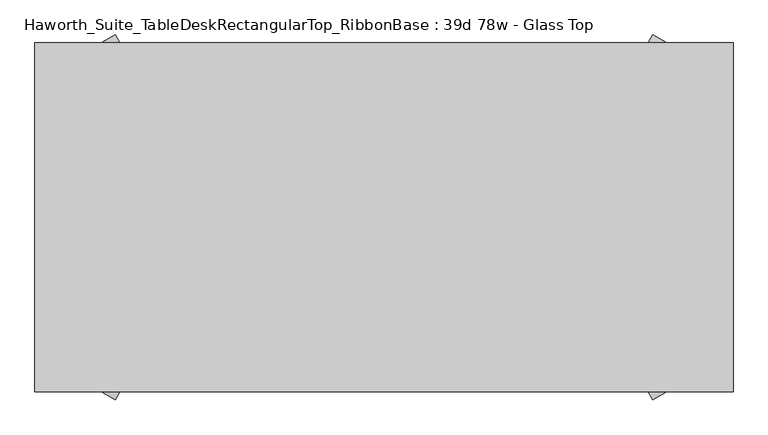
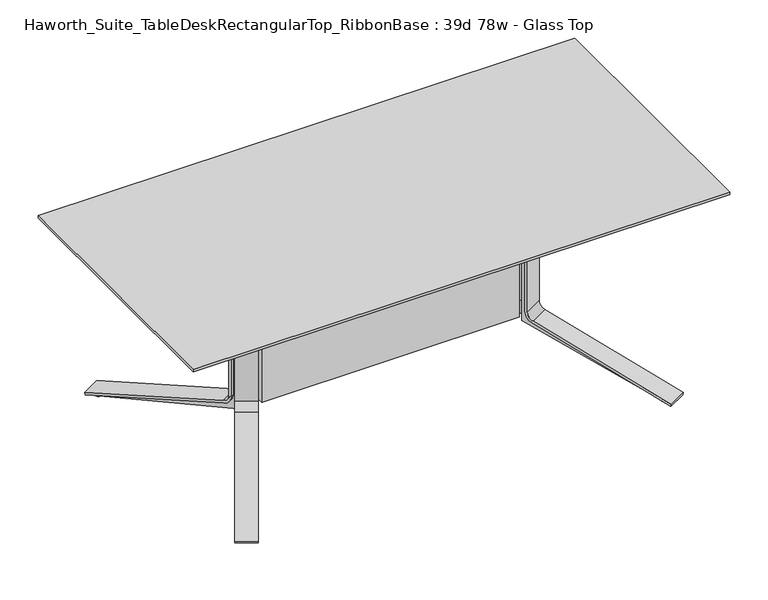
"""IFC4 building model written with IfcOpenShell, lengths in millimetres: furniture geometry, Haworth_Suite_TableDeskRectangularTop_RibbonBase : 39d 78w - Glass Top."""

from ifc_helpers import new_model, si_unit, point, frame, frame_2d, origin, place, context, project, spatial, polyline, circle_curve, trimmed, segment, composite_curve, outline, extrude, source, transform, mapped, element, save


def haworth_suite_tabledeskrectangulartop_ribbonbase_39d_78w_b5aa9cb7(model_context):
    return source(origin(), model_context, "Body", "SweptSolid", [
        extrude(outline(composite_curve([segment(polyline([(-269.3436323, 0.0), (0.0, 0.0), (112.9884974, -503.8783626), (-364.1289313, -745.3027257), (-363.1013704, -749.8851897), (-391.6775969, -756.2930555), (-393.0670035, -750.0969211), (63.4019807, -500.5507407)]), True, "CONTINUOUS"), segment(trimmed(circle_curve(frame_2d((45.1259393, -467.1202708)), 38.1), [point((63.4019807, -500.5507407))], [point((82.3027309, -458.7838346))], True, "CARTESIAN"), True, "CONTINUOUS"), segment(polyline([(82.3027309, -458.7838346), (-9.2618925, -50.446406)]), True, "CONTINUOUS"), segment(trimmed(circle_curve(frame_2d((-46.438684, -58.7828422)), 38.1), [point((-9.2618925, -50.446406))], [point((-44.1875449, -20.7494046))], True, "CARTESIAN"), True, "CONTINUOUS"), segment(polyline([(-44.1875449, -20.7494046), (-295.5330753, -5.872659), (-269.3436323, 0.0)]), True, "CONTINUOUS")], self_intersect=False)), frame((522.9648531, -507.7080688, 652.2665091), z_axis=(-0.8660254037844421, 0.499999999999994, 0.0), x_axis=(-0.48788440383841064, -0.8450405756685929, -0.21880409951582672)), (0.0, 0.0, 1.0), 47.625),
        extrude(outline(composite_curve([segment(trimmed(circle_curve(frame_2d((0.0, 28.575)), 28.575), [point((27.4680529, 36.4513374))], [point((0.0, 57.15))], True, "CARTESIAN"), True, "CONTINUOUS"), segment(polyline([(0.0, 57.15), (-418.7285036, 57.15)]), True, "CONTINUOUS"), segment(trimmed(circle_curve(frame_2d((-418.7285036, 28.575)), 28.575), [point((-418.7285036, 57.15))], [point((-446.1965565, 36.4513374))], True, "CARTESIAN"), True, "CONTINUOUS"), segment(polyline([(-446.1965565, 36.4513374), (-513.8596652, -199.517965)]), True, "CONTINUOUS"), segment(trimmed(circle_curve(frame_2d((-477.2355946, -210.0197483)), 38.1), [point((-513.8596652, -199.517965))], [point((-515.3355946, -210.0197483))], True, "CARTESIAN"), True, "CONTINUOUS"), segment(polyline([(-515.3355946, -210.0197483), (-515.3355946, -303.1768115), (-524.8605946, -303.1768115), (-524.8605946, -208.2699421)]), True, "CONTINUOUS"), segment(trimmed(circle_curve(frame_2d((-486.7605946, -208.2699421)), 38.1), [point((-524.8605946, -208.2699421))], [point((-523.3798781, -197.7514786))], False, "CARTESIAN"), True, "CONTINUOUS"), segment(polyline([(-523.3798781, -197.7514786), (-455.3489221, 39.0934635)]), True, "CONTINUOUS"), segment(trimmed(circle_curve(frame_2d((-418.7296385, 28.575)), 38.1), [point((-455.3489221, 39.0934635))], [point((-418.7296385, 66.675))], False, "CARTESIAN"), True, "CONTINUOUS"), segment(polyline([(-418.7296385, 66.675), (-0.2519977, 66.675)]), True, "CONTINUOUS"), segment(trimmed(circle_curve(frame_2d((-0.2519977, 28.575)), 38.1), [point((-0.2519977, 66.675))], [point((36.3672848, 39.0934673))], False, "CARTESIAN"), True, "CONTINUOUS"), segment(polyline([(36.3672848, 39.0934673), (183.1655841, -471.9741854), (174.0095606, -474.5996329), (27.4680529, 36.4513374)]), True, "CONTINUOUS")], self_intersect=False)), frame((578.7133642, -439.7238152, 186.3393812), z_axis=(-0.866025403784442, 0.49999999999999406, 0.0), x_axis=(0.0, 0.0, -1.0)), (0.0, 0.0, 1.0), 76.2),
        extrude(outline(composite_curve([segment(polyline([(269.3436323, 0.0), (0.0, 0.0), (-112.9884974, 503.8783626), (364.1289313, 745.3027257), (363.1013703, 749.8851897), (391.6775968, 756.2930555), (393.0670034, 750.0969211), (-63.4019808, 500.5507407)]), True, "CONTINUOUS"), segment(trimmed(circle_curve(frame_2d((-45.1259393, 467.1202708)), 38.1), [point((-63.4019808, 500.5507407))], [point((-82.3027309, 458.7838346))], True, "CARTESIAN"), True, "CONTINUOUS"), segment(polyline([(-82.3027309, 458.7838346), (9.2618925, 50.446406)]), True, "CONTINUOUS"), segment(trimmed(circle_curve(frame_2d((46.438684, 58.7828422)), 38.1), [point((9.2618925, 50.446406))], [point((44.1875448, 20.7494046))], True, "CARTESIAN"), True, "CONTINUOUS"), segment(polyline([(44.1875448, 20.7494046), (295.5330753, 5.872659), (269.3436323, 0.0)]), True, "CONTINUOUS")], self_intersect=False)), frame((481.7203933, -532.1044312, 652.2665091), z_axis=(0.8660254037844388, 0.49999999999999967, 0.0), x_axis=(0.48788440383841614, -0.8450405756685897, 0.21880409951582672)), (0.0, 0.0, 1.0), 47.625),
        extrude(outline(composite_curve([segment(trimmed(circle_curve(frame_2d((0.0, -28.575)), 28.575), [point((-27.4680529, -36.4513374))], [point((0.0, -57.15))], True, "CARTESIAN"), True, "CONTINUOUS"), segment(polyline([(0.0, -57.15), (418.7285036, -57.15)]), True, "CONTINUOUS"), segment(trimmed(circle_curve(frame_2d((418.7285036, -28.575)), 28.575), [point((418.7285036, -57.15))], [point((446.1965565, -36.4513374))], True, "CARTESIAN"), True, "CONTINUOUS"), segment(polyline([(446.1965565, -36.4513374), (513.8596652, 199.517965)]), True, "CONTINUOUS"), segment(trimmed(circle_curve(frame_2d((477.2355946, 210.0197483)), 38.1), [point((513.8596652, 199.517965))], [point((515.3355946, 210.0197483))], True, "CARTESIAN"), True, "CONTINUOUS"), segment(polyline([(515.3355946, 210.0197483), (515.3355946, 303.1768115), (524.8605946, 303.1768115), (524.8605946, 208.2699421)]), True, "CONTINUOUS"), segment(trimmed(circle_curve(frame_2d((486.7605946, 208.2699421)), 38.1), [point((524.8605946, 208.2699421))], [point((523.3798781, 197.7514786))], False, "CARTESIAN"), True, "CONTINUOUS"), segment(polyline([(523.3798781, 197.7514786), (455.3489221, -39.0934635)]), True, "CONTINUOUS"), segment(trimmed(circle_curve(frame_2d((418.7296385, -28.575)), 38.1), [point((455.3489221, -39.0934635))], [point((418.7296385, -66.675))], False, "CARTESIAN"), True, "CONTINUOUS"), segment(polyline([(418.7296385, -66.675), (0.2519977, -66.675)]), True, "CONTINUOUS"), segment(trimmed(circle_curve(frame_2d((0.2519977, -28.575)), 38.1), [point((0.2519977, -66.675))], [point((-36.3672848, -39.0934673))], False, "CARTESIAN"), True, "CONTINUOUS"), segment(polyline([(-36.3672848, -39.0934673), (-183.1655841, 471.9741854), (-174.0095606, 474.5996329), (-27.4680529, -36.4513374)]), True, "CONTINUOUS")], self_intersect=False)), frame((512.7222284, -614.3761848, 186.3393812), z_axis=(0.8660254037844388, 0.49999999999999967, 0.0), x_axis=(0.0, 0.0, 1.0)), (0.0, 0.0, 1.0), 76.2),
        extrude(outline(composite_curve([segment(polyline([(-269.3436323, 0.0), (-295.5330753, 5.872659), (-44.1875449, 20.7494046)]), True, "CONTINUOUS"), segment(trimmed(circle_curve(frame_2d((-46.438684, 58.7828422)), 38.1), [point((-44.1875449, 20.7494046))], [point((-9.2618925, 50.446406))], True, "CARTESIAN"), True, "CONTINUOUS"), segment(polyline([(-9.2618925, 50.446406), (82.3027309, 458.7838346)]), True, "CONTINUOUS"), segment(trimmed(circle_curve(frame_2d((45.1259393, 467.1202708)), 38.1), [point((82.3027309, 458.7838346))], [point((63.4019807, 500.5507407))], True, "CARTESIAN"), True, "CONTINUOUS"), segment(polyline([(63.4019807, 500.5507407), (-393.0670035, 750.0969211), (-391.6775969, 756.2930555), (-363.1013704, 749.8851897), (-364.1289313, 745.3027257), (112.9884974, 503.8783626), (0.0, 0.0), (-269.3436323, 0.0)]), True, "CONTINUOUS")], self_intersect=False)), frame((-548.3648531, -507.7080688, 652.2665091), z_axis=(0.8660254037844421, 0.499999999999994, 0.0), x_axis=(0.48788440383841064, -0.8450405756685929, -0.21880409951582672)), (0.0, 0.0, 1.0), 47.625),
        extrude(outline(composite_curve([segment(polyline([(27.4680529, -36.4513374), (174.0095606, 474.5996329), (183.1655841, 471.9741854), (36.3672848, -39.0934673)]), True, "CONTINUOUS"), segment(trimmed(circle_curve(frame_2d((-0.2519977, -28.575)), 38.1), [point((36.3672848, -39.0934673))], [point((-0.2519977, -66.675))], False, "CARTESIAN"), True, "CONTINUOUS"), segment(polyline([(-0.2519977, -66.675), (-418.7296385, -66.675)]), True, "CONTINUOUS"), segment(trimmed(circle_curve(frame_2d((-418.7296385, -28.575)), 38.1), [point((-418.7296385, -66.675))], [point((-455.3489221, -39.0934635))], False, "CARTESIAN"), True, "CONTINUOUS"), segment(polyline([(-455.3489221, -39.0934635), (-523.3798781, 197.7514786)]), True, "CONTINUOUS"), segment(trimmed(circle_curve(frame_2d((-486.7605946, 208.2699421)), 38.1), [point((-523.3798781, 197.7514786))], [point((-524.8605946, 208.2699421))], False, "CARTESIAN"), True, "CONTINUOUS"), segment(polyline([(-524.8605946, 208.2699421), (-524.8605946, 303.1768115), (-515.3355946, 303.1768115), (-515.3355946, 210.0197483)]), True, "CONTINUOUS"), segment(trimmed(circle_curve(frame_2d((-477.2355946, 210.0197483)), 38.1), [point((-515.3355946, 210.0197483))], [point((-513.8596652, 199.517965))], True, "CARTESIAN"), True, "CONTINUOUS"), segment(polyline([(-513.8596652, 199.517965), (-446.1965565, -36.4513374)]), True, "CONTINUOUS"), segment(trimmed(circle_curve(frame_2d((-418.7285036, -28.575)), 28.575), [point((-446.1965565, -36.4513374))], [point((-418.7285036, -57.15))], True, "CARTESIAN"), True, "CONTINUOUS"), segment(polyline([(-418.7285036, -57.15), (0.0, -57.15)]), True, "CONTINUOUS"), segment(trimmed(circle_curve(frame_2d((0.0, -28.575)), 28.575), [point((0.0, -57.15))], [point((27.4680529, -36.4513374))], True, "CARTESIAN"), True, "CONTINUOUS")], self_intersect=False)), frame((-604.1133642, -439.7238152, 186.3393812), z_axis=(0.866025403784442, 0.49999999999999406, 0.0), x_axis=(0.0, 0.0, -1.0)), (0.0, 0.0, 1.0), 76.2),
        extrude(outline(composite_curve([segment(polyline([(269.3436323, 0.0), (295.5330753, -5.872659), (44.1875448, -20.7494046)]), True, "CONTINUOUS"), segment(trimmed(circle_curve(frame_2d((46.438684, -58.7828422)), 38.1), [point((44.1875448, -20.7494046))], [point((9.2618925, -50.446406))], True, "CARTESIAN"), True, "CONTINUOUS"), segment(polyline([(9.2618925, -50.446406), (-82.3027309, -458.7838346)]), True, "CONTINUOUS"), segment(trimmed(circle_curve(frame_2d((-45.1259393, -467.1202708)), 38.1), [point((-82.3027309, -458.7838346))], [point((-63.4019808, -500.5507407))], True, "CARTESIAN"), True, "CONTINUOUS"), segment(polyline([(-63.4019808, -500.5507407), (393.0670034, -750.0969211), (391.6775968, -756.2930555), (363.1013703, -749.8851897), (364.1289313, -745.3027257), (-112.9884974, -503.8783626), (0.0, 0.0), (269.3436323, 0.0)]), True, "CONTINUOUS")], self_intersect=False)), frame((-507.1203933, -532.1044312, 652.2665091), z_axis=(-0.8660254037844388, 0.49999999999999967, 0.0), x_axis=(-0.48788440383841614, -0.8450405756685897, 0.21880409951582672)), (0.0, 0.0, 1.0), 47.625),
        extrude(outline(composite_curve([segment(polyline([(-27.4680529, 36.4513374), (-174.0095606, -474.5996329), (-183.1655841, -471.9741854), (-36.3672848, 39.0934673)]), True, "CONTINUOUS"), segment(trimmed(circle_curve(frame_2d((0.2519977, 28.575)), 38.1), [point((-36.3672848, 39.0934673))], [point((0.2519977, 66.675))], False, "CARTESIAN"), True, "CONTINUOUS"), segment(polyline([(0.2519977, 66.675), (418.7296385, 66.675)]), True, "CONTINUOUS"), segment(trimmed(circle_curve(frame_2d((418.7296385, 28.575)), 38.1), [point((418.7296385, 66.675))], [point((455.3489221, 39.0934635))], False, "CARTESIAN"), True, "CONTINUOUS"), segment(polyline([(455.3489221, 39.0934635), (523.3798781, -197.7514786)]), True, "CONTINUOUS"), segment(trimmed(circle_curve(frame_2d((486.7605946, -208.2699421)), 38.1), [point((523.3798781, -197.7514786))], [point((524.8605946, -208.2699421))], False, "CARTESIAN"), True, "CONTINUOUS"), segment(polyline([(524.8605946, -208.2699421), (524.8605946, -303.1768115), (515.3355946, -303.1768115), (515.3355946, -210.0197483)]), True, "CONTINUOUS"), segment(trimmed(circle_curve(frame_2d((477.2355946, -210.0197483)), 38.1), [point((515.3355946, -210.0197483))], [point((513.8596652, -199.517965))], True, "CARTESIAN"), True, "CONTINUOUS"), segment(polyline([(513.8596652, -199.517965), (446.1965565, 36.4513374)]), True, "CONTINUOUS"), segment(trimmed(circle_curve(frame_2d((418.7285036, 28.575)), 28.575), [point((446.1965565, 36.4513374))], [point((418.7285036, 57.15))], True, "CARTESIAN"), True, "CONTINUOUS"), segment(polyline([(418.7285036, 57.15), (0.0, 57.15)]), True, "CONTINUOUS"), segment(trimmed(circle_curve(frame_2d((0.0, 28.575)), 28.575), [point((0.0, 57.15))], [point((-27.4680529, 36.4513374))], True, "CARTESIAN"), True, "CONTINUOUS")], self_intersect=False)), frame((-538.1222284, -614.3761848, 186.3393812), z_axis=(-0.8660254037844388, 0.49999999999999967, 0.0), x_axis=(0.0, 0.0, 1.0)), (0.0, 0.0, 1.0), 76.2),
        extrude(outline(polyline([(495.3, -485.775), (495.3, -530.225), (-520.7, -530.225), (-520.7, -485.775), (495.3, -485.775)])), frame((0.0, 0.0, 215.9), z_axis=(0.0, 0.0, 1.0), x_axis=(1.0, 0.0, 0.0)), (0.0, 0.0, 1.0), 368.3),
        extrude(outline(polyline([(463.55, -466.725), (463.55, -485.775), (-488.95, -485.775), (-488.95, -466.725), (463.55, -466.725)])), frame((0.0, 0.0, 165.1), z_axis=(0.0, 0.0, 1.0), x_axis=(1.0, 0.0, 0.0)), (0.0, 0.0, 1.0), 469.9),
        extrude(outline(polyline([(463.55, -549.275), (-488.95, -549.275), (-488.95, -530.225), (463.55, -530.225), (463.55, -549.275)])), frame((0.0, 0.0, 165.1), z_axis=(0.0, 0.0, 1.0), x_axis=(1.0, 0.0, 0.0)), (0.0, 0.0, 1.0), 469.9),
        extrude(outline(polyline([(927.1, -63.5), (927.1, -952.5), (-952.5, -952.5), (-952.5, -63.5), (927.1, -63.5)])), frame((0.0, 0.0, 711.2), z_axis=(0.0, 0.0, 1.0), x_axis=(1.0, 0.0, 0.0)), (0.0, 0.0, 1.0), 28.575),
        extrude(outline(polyline([(977.9, -12.7), (977.9, -1003.3), (-1003.3, -1003.3), (-1003.3, -12.7), (977.9, -12.7)])), frame((0.0, 0.0, 739.775), z_axis=(0.0, 0.0, 1.0), x_axis=(1.0, 0.0, 0.0)), (0.0, 0.0, 1.0), 9.525),
    ])


if __name__ == "__main__":
    model = new_model("IFC4")
    model_context = context("Model", 3, world=origin())
    ifc_project = project(units=[si_unit("LENGTHUNIT", "METRE", prefix="MILLI")], contexts=[model_context])
    site = spatial("IfcSite", under=ifc_project)
    building = spatial("IfcBuilding", under=site)
    placement = place(None, origin())
    haworth_suite_tabledeskrectangulartop_ribbonbase_39d_78w_shape = haworth_suite_tabledeskrectangulartop_ribbonbase_39d_78w_b5aa9cb7(model_context)
    element("IfcFurniture", 1, ObjectType="Haworth_Suite_TableDeskRectangularTop_RibbonBase : 39d 78w - Glass Top", at=placement, inside=building, context=model_context, shape_type="MappedRepresentation", body=[
        mapped(haworth_suite_tabledeskrectangulartop_ribbonbase_39d_78w_shape, transform((0.0, 0.0, 0.0), x_axis=(1.0, 0.0, 0.0), y_axis=(0.0, 1.0, 0.0), z_axis=(0.0, 0.0, 1.0))),
    ])
    save(model, "model.ifc")
